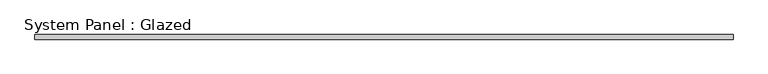
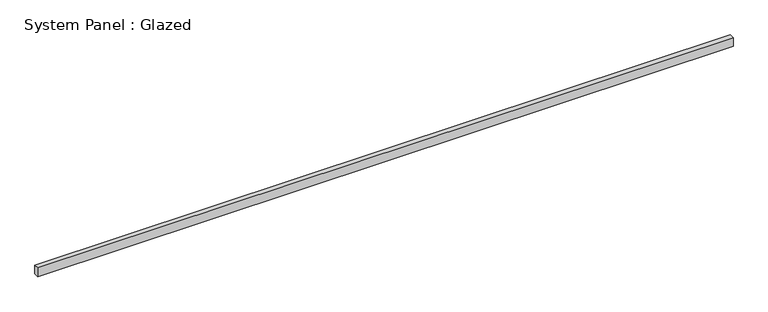
"""IFC4 building model written with IfcOpenShell, lengths in millimetres: plate geometry, System Panel : Glazed."""

from ifc_helpers import new_model, si_unit, origin, origin_with_axes, place, context, project, spatial, polyline, outline, extrude, source, transform, mapped, element, save


def system_panel_glazed_f8cd3895(model_context):
    return source(origin(), model_context, "Body", "SweptSolid", [
        extrude(outline(polyline([(1878.0804359, 24.5), (-1878.0804359, 24.5), (-1878.0804359, 49.5), (1878.0804359, 49.5), (1878.0804359, 24.5)])), origin_with_axes(), (0.0, 0.0, 1.0), 50.0),
    ])


if __name__ == "__main__":
    model = new_model("IFC4")
    model_context = context("Model", 3, world=origin())
    ifc_project = project(units=[si_unit("LENGTHUNIT", "METRE", prefix="MILLI")], contexts=[model_context])
    site = spatial("IfcSite", under=ifc_project)
    building = spatial("IfcBuilding", under=site)
    placement = place(None, origin())
    system_panel_glazed_shape = system_panel_glazed_f8cd3895(model_context)
    element("IfcPlate", 1, ObjectType="System Panel : Glazed", at=placement, inside=building, context=model_context, shape_type="MappedRepresentation", body=[
        mapped(system_panel_glazed_shape, transform((0.0, 0.0, 0.0), x_axis=(1.0, 0.0, 0.0), y_axis=(0.0, 1.0, 0.0), z_axis=(0.0, 0.0, 1.0))),
    ])
    save(model, "model.ifc")
